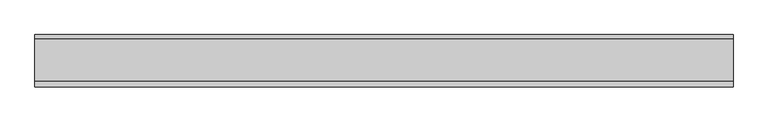
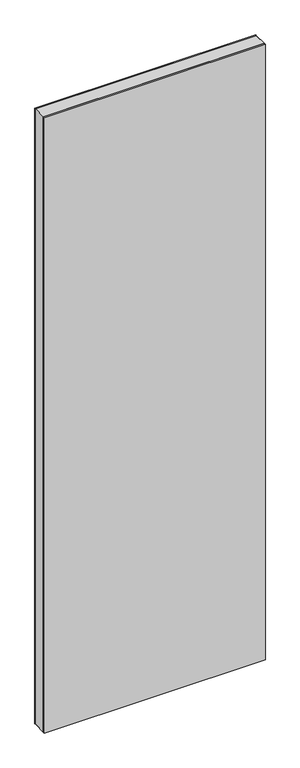
"""IFC4 building model written with IfcOpenShell, lengths in millimetres: plate geometry."""

from ifc_helpers import new_model, si_unit, frame, origin, origin_with_axes, place, context, project, spatial, polyline, outline, extrude, source, transform, mapped, element, save


def plate_976b7cec(model_context):
    return source(origin(), model_context, "Body", "SweptSolid", [
        extrude(outline(polyline([(2936.0, -498.9415345), (0.0, -498.9415345), (0.0, 498.9415345), (2936.0, 498.9415345), (2936.0, -498.9415345)]), holes=[polyline([(2935.0, -497.9415345), (2935.0, 497.9415345), (1.0, 497.9415345), (1.0, -497.9415345), (2935.0, -497.9415345)])]), frame((0.0, -29.2, 0.0), z_axis=(0.0, 1.0, 0.0), x_axis=(0.0, 0.0, 1.0)), (0.0, 0.0, 1.0), 60.4),
        extrude(outline(polyline([(498.9415345, 31.2), (-498.9415345, 31.2), (-498.9415345, 37.2), (498.9415345, 37.2), (498.9415345, 31.2)])), origin_with_axes(), (0.0, 0.0, 1.0), 2936.0),
        extrude(outline(polyline([(-498.9415345, -37.2), (-498.9415345, -29.2), (498.9415345, -29.2), (498.9415345, -37.2), (-498.9415345, -37.2)])), origin_with_axes(), (0.0, 0.0, 1.0), 2936.0),
    ])


if __name__ == "__main__":
    model = new_model("IFC4")
    model_context = context("Model", 3, world=origin())
    ifc_project = project(units=[si_unit("LENGTHUNIT", "METRE", prefix="MILLI")], contexts=[model_context])
    site = spatial("IfcSite", under=ifc_project)
    building = spatial("IfcBuilding", under=site)
    placement = place(None, origin())
    plate_shape = plate_976b7cec(model_context)
    element("IfcPlate", 1, at=placement, inside=building, context=model_context, shape_type="MappedRepresentation", body=[
        mapped(plate_shape, transform((0.0, 0.0, 0.0), x_axis=(1.0, 0.0, 0.0), y_axis=(0.0, 1.0, 0.0), z_axis=(0.0, 0.0, 1.0))),
    ])
    save(model, "model.ifc")
